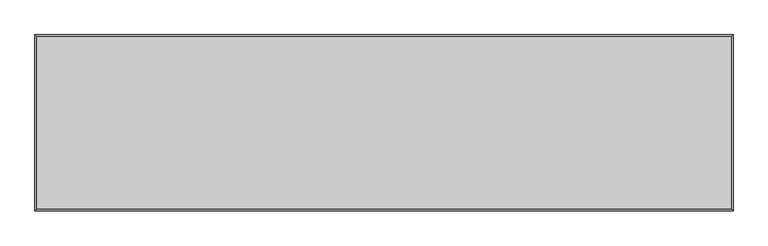
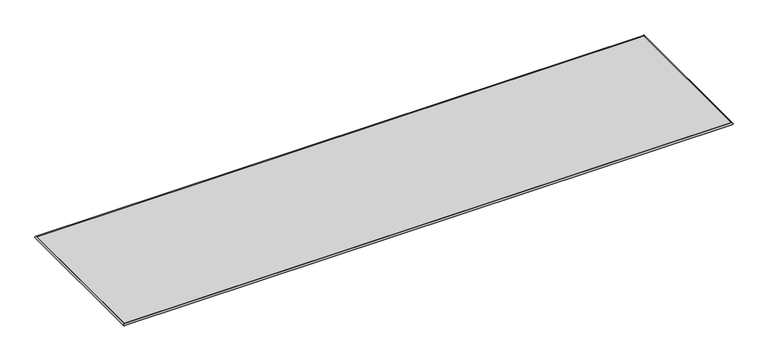
"""IFC4 building model written with IfcOpenShell, lengths in millimetres: furniture geometry."""

from ifc_helpers import new_model, si_unit, frame, origin, origin_with_axes, place, context, project, spatial, polyline, ellipse_curve, outline, extrude, source, transform, mapped, element, save
from ifc_brep_helpers import plane_surface, cylinder_surface, advanced_brep


def furniture_c0e0114a(model_context):
    return source(origin(), model_context, "Body", "SolidModel", [
        advanced_brep(
        [(-299.0453125, 299.0453125, 6.35), (-299.0453125, 299.0453125, 0.0), (-299.0453125, -300.434375, 0.0), (-299.0453125, -300.434375, 6.35), (2101.2546875, -300.434375, 0.0), (2101.2546875, -300.434375, 6.35), (2101.2546875, 299.0453125, 0.0), (2101.2546875, 299.0453125, 6.35)],
        [
            (0, 1, ellipse_curve(frame((-300.1097864, 300.1097864, 3.175), z_axis=(-0.7071067811865475, -0.7071067811865475, 0.0), x_axis=(-0.7071067811865474, 0.7071067811865476, 0.0)), 4.7357639, 3.3486907)),
            (1, 2),
            (2, 3, ellipse_curve(frame((-300.1097864, -301.4988489, 3.175), z_axis=(-0.7071067811865475, 0.7071067811865475, 0.0), x_axis=(0.7071067811865474, 0.7071067811865476, 0.0)), 4.7357639, 3.3486907)),
            (3, 0),
            (1, 0),
            (3, 2),
            (2, 4),
            (4, 5, ellipse_curve(frame((2102.3191614, -301.4988489, 3.175), z_axis=(-0.7071067811865475, -0.7071067811865475, 0.0), x_axis=(-0.7071067811865476, 0.7071067811865474, 0.0)), 4.7357639, 3.3486907)),
            (5, 3),
            (5, 4),
            (4, 6),
            (6, 7, ellipse_curve(frame((2102.3191614, 300.1097864, 3.175), z_axis=(0.7071067811865475, -0.7071067811865475, 0.0), x_axis=(-0.7071067811865474, -0.7071067811865476, 0.0)), 4.7357639, 3.3486907)),
            (7, 5),
            (7, 6),
            (6, 1),
            (0, 7),
        ],
        [
            cylinder_surface(frame((-300.1097864, 299.0453125, 3.175), z_axis=(0.0, 1.0, 0.0), x_axis=(1.0, 0.0, 0.0)), 3.3486907),
            plane_surface(frame((-299.0453125, 299.0453125, 6.35), z_axis=(1.0, 0.0, 0.0), x_axis=(0.0, -1.0, 0.0))),
            cylinder_surface(frame((-299.0453125, -301.4988489, 3.175), z_axis=(-1.0, 0.0, 0.0), x_axis=(0.0, 1.0, 0.0)), 3.3486907),
            plane_surface(frame((-299.0453125, -300.434375, 6.35), z_axis=(0.0, 1.0, 0.0), x_axis=(1.0, 0.0, 0.0))),
            cylinder_surface(frame((2102.3191614, -300.434375, 3.175), z_axis=(0.0, -1.0, 0.0), x_axis=(-1.0, 0.0, 0.0)), 3.3486907),
            plane_surface(frame((2101.2546875, -300.434375, 6.35), z_axis=(-1.0, 0.0, 0.0), x_axis=(0.0, 1.0, 0.0))),
            cylinder_surface(frame((2101.2546875, 300.1097864, 3.175), z_axis=(1.0, 0.0, 0.0), x_axis=(0.0, -1.0, 0.0)), 3.3486907),
            plane_surface(frame((2101.2546875, 299.0453125, 6.35), z_axis=(0.0, -1.0, 0.0), x_axis=(-1.0, 0.0, 0.0))),
        ],
        [
            (0, [[1, 2, 3, 4]]),
            (1, [[5, -4, 6, -2]]),
            (2, [[-3, 7, 8, 9]]),
            (3, [[-6, -9, 10, -7]]),
            (4, [[-8, 11, 12, 13]]),
            (5, [[-10, -13, 14, -11]]),
            (6, [[-12, 15, -1, 16]]),
            (7, [[-14, -16, -5, -15]]),
        ],
    ),
        extrude(outline(polyline([(2101.2546875, 299.0453125), (2101.2546875, -300.434375), (-299.0453125, -300.434375), (-299.0453125, 299.0453125), (2101.2546875, 299.0453125)])), origin_with_axes(), (0.0, 0.0, 1.0), 6.35),
    ])


if __name__ == "__main__":
    model = new_model("IFC4")
    model_context = context("Model", 3, world=origin())
    ifc_project = project(units=[si_unit("LENGTHUNIT", "METRE", prefix="MILLI")], contexts=[model_context])
    site = spatial("IfcSite", under=ifc_project)
    building = spatial("IfcBuilding", under=site)
    placement = place(None, origin())
    furniture_shape = furniture_c0e0114a(model_context)
    element("IfcFurniture", 1, at=placement, inside=building, context=model_context, shape_type="MappedRepresentation", body=[
        mapped(furniture_shape, transform((0.0, 0.0, 0.0), x_axis=(1.0, 0.0, 0.0), y_axis=(0.0, 1.0, 0.0), z_axis=(0.0, 0.0, 1.0))),
    ])
    save(model, "model.ifc")
